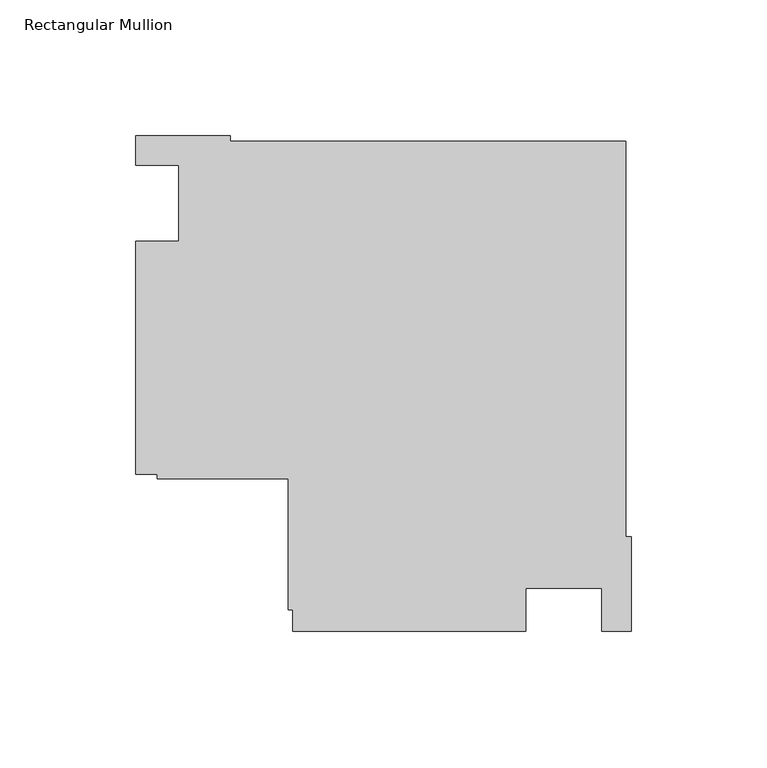
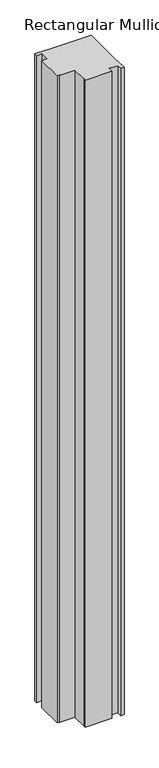
"""IFC4 building model written with IfcOpenShell, lengths in millimetres: member geometry, Rectangular Mullion."""

from ifc_helpers import new_model, si_unit, frame, origin, place, context, project, spatial, polyline, outline, extrude, source, transform, mapped, element, save


def rectangular_mullion_feb1c10b(model_context):
    return source(origin(), model_context, "Body", "SweptSolid", [
        extrude(outline(polyline([(-182.9999976, -14.0008907), (-166.9999976, -14.0008907), (-166.9999976, 14.0027335), (-183.0085199, 14.0027335), (-183.0085199, 24.9989975), (-147.9999713, 24.9989975), (-147.9999713, 22.9137834), (-2.0852141, 22.9137834), (-2.0852141, -122.9999738), (0.0, -122.9999738), (0.0, -158.0000001), (-10.9999975, -158.0000001), (-10.9999975, -142.0010001), (-38.9998882, -142.0010001), (-38.9998882, -158.0000001), (-125.0, -158.0000001), (-125.0, -150.0000025), (-126.6, -150.0000025), (-126.6, -101.6000025), (-175.0, -101.6000025), (-175.0, -100.0010025), (-182.9999976, -100.0010025), (-182.9999976, -14.0008907)])), frame((0.0, 0.0, -2216.0199255), z_axis=(0.0, 0.0, 1.0), x_axis=(1.0, 0.0, 0.0)), (0.0, 0.0, 1.0), 2216.0199255),
    ])


if __name__ == "__main__":
    model = new_model("IFC4")
    model_context = context("Model", 3, world=origin())
    ifc_project = project(units=[si_unit("LENGTHUNIT", "METRE", prefix="MILLI")], contexts=[model_context])
    site = spatial("IfcSite", under=ifc_project)
    building = spatial("IfcBuilding", under=site)
    placement = place(None, origin())
    rectangular_mullion_shape = rectangular_mullion_feb1c10b(model_context)
    element("IfcMember", 1, ObjectType="Rectangular Mullion", at=placement, inside=building, context=model_context, shape_type="MappedRepresentation", body=[
        mapped(rectangular_mullion_shape, transform((0.0, 0.0, 0.0), x_axis=(1.0, 0.0, 0.0), y_axis=(0.0, 1.0, 0.0), z_axis=(0.0, 0.0, 1.0))),
    ])
    save(model, "model.ifc")
